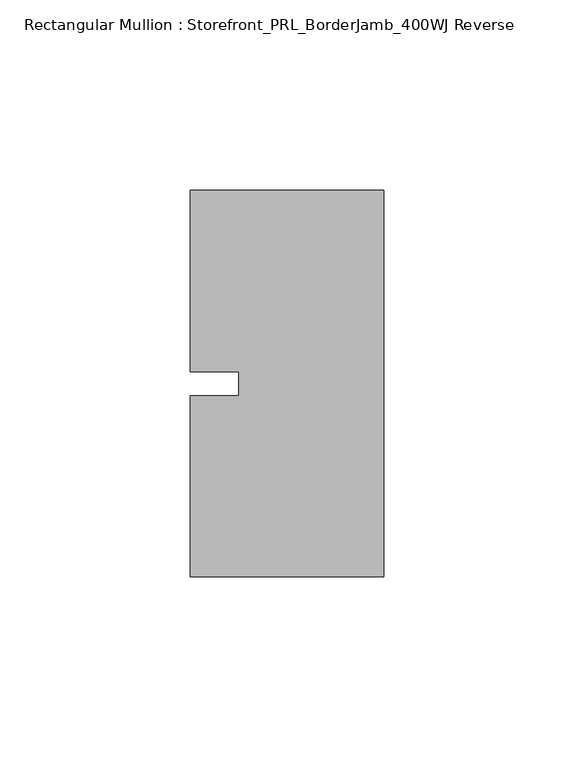
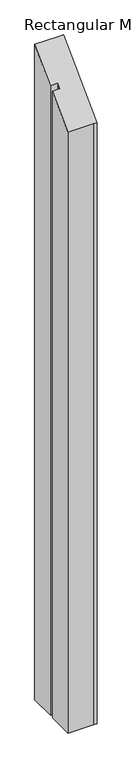
"""IFC4 building model written with IfcOpenShell, lengths in millimetres: member geometry, Rectangular Mullion : Storefront_PRL_BorderJamb_400WJ Reverse."""

from ifc_helpers import new_model, si_unit, origin, place, context, project, spatial, faceted_brep, source, transform, mapped, element, save


def rectangular_mullion_storefront_prl_borderjamb_400wj_reverse_f58e97f2(model_context):
    return source(origin(), model_context, "Body", "Brep", [
        faceted_brep([(-38.1, -3.175, -1168.4), (-38.1, 3.175, -1168.4), (-50.8, 3.175, -1168.4), (-50.8, 50.8, -1168.4), (-7.3958824, 50.8, -1168.4), (0.0, 50.8, -1168.4), (0.0, -50.8, -1168.4), (-6.35, -50.8, -1168.4), (-50.8, -50.8, -1168.4), (-50.8, -3.175, -1168.4), (-50.8, -3.175, -3.175), (-38.1, -3.175, -3.175), (-50.8, -50.8, -50.8), (-6.35, -50.8, -50.8), (0.0, -50.8, -50.8), (0.0, 50.8, 50.8), (-7.3958824, 50.8, 50.8), (-50.8, 50.8, 50.8), (-50.8, 3.175, 3.175), (-38.1, 3.175, 3.175)], [[[0, 1, 2, 3, 4, 5, 6, 7, 8, 9]], [[10, 11, 0, 9]], [[12, 10, 9, 8]], [[13, 12, 8, 7]], [[14, 13, 7, 6]], [[15, 14, 6, 5]], [[16, 15, 5, 4]], [[17, 16, 4, 3]], [[18, 17, 3, 2]], [[19, 18, 2, 1]], [[11, 19, 1, 0]], [[11, 10, 12, 13, 14, 15, 16, 17, 18, 19]]]),
    ])


if __name__ == "__main__":
    model = new_model("IFC4")
    model_context = context("Model", 3, world=origin())
    ifc_project = project(units=[si_unit("LENGTHUNIT", "METRE", prefix="MILLI")], contexts=[model_context])
    site = spatial("IfcSite", under=ifc_project)
    building = spatial("IfcBuilding", under=site)
    placement = place(None, origin())
    rectangular_mullion_storefront_prl_borderjamb_400wj_reverse_shape = rectangular_mullion_storefront_prl_borderjamb_400wj_reverse_f58e97f2(model_context)
    element("IfcMember", 1, ObjectType="Rectangular Mullion : Storefront_PRL_BorderJamb_400WJ Reverse", at=placement, inside=building, context=model_context, shape_type="MappedRepresentation", body=[
        mapped(rectangular_mullion_storefront_prl_borderjamb_400wj_reverse_shape, transform((0.0, 0.0, 0.0), x_axis=(1.0, 0.0, 0.0), y_axis=(0.0, 1.0, 0.0), z_axis=(0.0, 0.0, 1.0))),
    ])
    save(model, "model.ifc")
